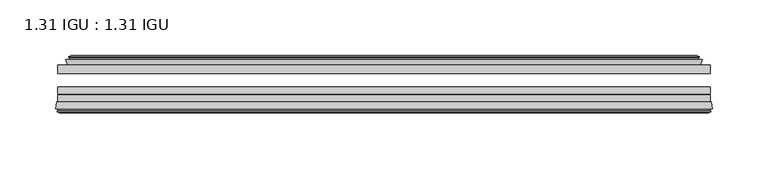
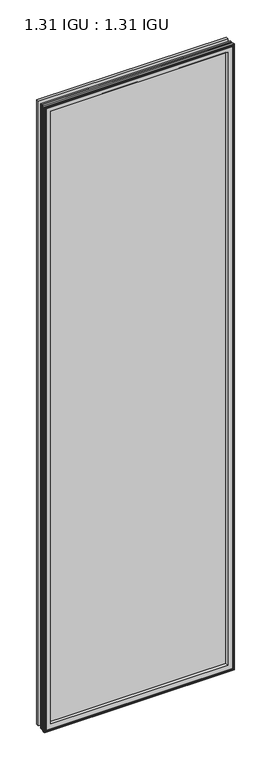
"""IFC4 building model written with IfcOpenShell, lengths in millimetres: plate geometry, 1.31 IGU : 1.31 IGU."""

from ifc_helpers import new_model, si_unit, frame, origin, place, context, project, spatial, polyline, ellipse_curve, outline, extrude, faceted_brep, source, transform, mapped, element, save
from ifc_brep_helpers import plane_surface, revolved_surface, advanced_brep


def plate_1_31_igu_1_31_igu_a0fc79a2(model_context):
    return source(origin(), model_context, "Body", "SolidModel", [
        extrude(outline(polyline([(292.1, -17.9712937), (292.1, -25.8960937), (-292.1, -25.8960937), (-292.1, -17.9712937), (292.1, -17.9712937)])), frame((0.0, 0.0, -19.05), z_axis=(0.0, 0.0, 1.0), x_axis=(1.0, 0.0, 0.0)), (0.0, 0.0, 1.0), 2032.0),
        extrude(outline(polyline([(-292.1, -51.2960937), (-292.1, -44.9460937), (292.1, -44.9460937), (292.1, -51.2960937), (-292.1, -51.2960937)])), frame((0.0, 0.0, -19.05), z_axis=(0.0, 0.0, 1.0), x_axis=(1.0, 0.0, 0.0)), (0.0, 0.0, 1.0), 2032.0),
        extrude(outline(polyline([(-292.1, -44.1586938), (-292.1, -37.8086938), (292.1, -37.8086938), (292.1, -44.1586938), (-292.1, -44.1586938)])), frame((0.0, 0.0, -19.05), z_axis=(0.0, 0.0, 1.0), x_axis=(1.0, 0.0, 0.0)), (0.0, 0.0, 1.0), 2032.0),
        faceted_brep([(-283.1814005, -17.9712937, 2004.0314005), (-284.8256337, -13.1960937, 2005.6756337), (-284.8256337, -13.1960937, -11.7756337), (-283.1814005, -17.9712937, -10.1314005), (-273.5707, -13.1960937, 1994.4207), (-272.4012695, -17.9712937, 1993.2512695), (-272.4012695, -17.9712937, 0.6487305), (-273.5707, -13.1960937, -0.5207), (-279.1354203, -10.902778, 1999.9854203), (-278.5209281, -13.1960937, 1999.3709281), (-278.5209281, -13.1960937, -5.4709281), (-279.1354203, -10.902778, -6.0854203), (-277.7431709, -11.27583, 1998.5931709), (-277.7431709, -11.27583, -4.6931709), (-277.5118537, -10.4125422, 1998.3618537), (-277.5118537, -10.4125422, -4.4618537), (-279.9207, -9.7670937, 2000.7707), (-279.9207, -9.7670937, -6.8707), (-282.3295463, -10.4125422, 2003.1795463), (-282.3295463, -10.4125422, -9.2795463), (-282.0982291, -11.27583, 2002.9482291), (-282.0982291, -11.27583, -9.0482291), (-280.7114014, -10.9042307, 2001.5614014), (-280.7114014, -10.9042307, -7.6614014), (-281.4560729, -13.1960937, 2002.3060729), (-281.4560729, -13.1960937, -8.4060729), (284.8256337, -13.1960937, -11.7756337), (283.1814005, -17.9712937, -10.1314005), (272.4012695, -17.9712937, 0.6487305), (273.5707, -13.1960937, -0.5207), (278.5209281, -13.1960937, -5.4709281), (279.1354203, -10.902778, -6.0854203), (277.7431709, -11.27583, -4.6931709), (277.5118537, -10.4125422, -4.4618537), (279.9207, -9.7670937, -6.8707), (282.3295463, -10.4125422, -9.2795463), (282.0982291, -11.27583, -9.0482291), (280.7114014, -10.9042307, -7.6614014), (281.4560729, -13.1960937, -8.4060729), (284.8256337, -13.1960937, 2005.6756337), (283.1814005, -17.9712937, 2004.0314005), (272.4012695, -17.9712937, 1993.2512695), (273.5707, -13.1960937, 1994.4207), (278.5209281, -13.1960937, 1999.3709281), (279.1354203, -10.902778, 1999.9854203), (277.7431709, -11.27583, 1998.5931709), (277.5118537, -10.4125422, 1998.3618537), (279.9207, -9.7670937, 2000.7707), (282.3295463, -10.4125422, 2003.1795463), (282.0982291, -11.27583, 2002.9482291), (280.7114014, -10.9042307, 2001.5614014), (281.4560729, -13.1960937, 2002.3060729)], [[[0, 1, 2, 3]], [[4, 5, 6, 7]], [[8, 9, 10, 11]], [[12, 8, 11, 13]], [[14, 12, 13, 15]], [[16, 14, 15, 17]], [[18, 16, 17, 19]], [[20, 18, 19, 21]], [[22, 20, 21, 23]], [[24, 22, 23, 25]], [[3, 2, 26, 27]], [[7, 6, 28, 29]], [[11, 10, 30, 31]], [[13, 11, 31, 32]], [[15, 13, 32, 33]], [[17, 15, 33, 34]], [[19, 17, 34, 35]], [[21, 19, 35, 36]], [[23, 21, 36, 37]], [[25, 23, 37, 38]], [[27, 26, 39, 40]], [[29, 28, 41, 42]], [[31, 30, 43, 44]], [[32, 31, 44, 45]], [[33, 32, 45, 46]], [[34, 33, 46, 47]], [[35, 34, 47, 48]], [[36, 35, 48, 49]], [[37, 36, 49, 50]], [[38, 37, 50, 51]], [[40, 39, 1, 0]], [[3, 27, 40, 0], [5, 41, 28, 6]], [[42, 41, 5, 4]], [[9, 43, 30, 10], [7, 29, 42, 4]], [[44, 43, 9, 8]], [[45, 44, 8, 12]], [[46, 45, 12, 14]], [[47, 46, 14, 16]], [[48, 47, 16, 18]], [[49, 48, 18, 20]], [[50, 49, 20, 22]], [[51, 50, 22, 24]], [[1, 39, 26, 2], [25, 38, 51, 24]]]),
        advanced_brep(
        [(-269.4126851, -51.2960937, 1990.2626851), (-273.05, -57.6460937, 1993.9), (-273.05, -57.6460937, 0.0), (-269.4126851, -51.2960937, 3.6373149), (-293.6957783, -57.6460937, 2014.5457783), (-292.9160964, -51.2960937, 2013.7660964), (-292.9160964, -51.2960937, -19.8660964), (-293.6957783, -57.6460937, -20.6457783), (-291.2957744, -59.6558685, 2012.1457744), (-291.7548013, -57.6460937, 2012.6048013), (-291.7548013, -57.6460937, -18.7048013), (-291.2957744, -59.6558685, -18.2457744), (-292.2794588, -59.3738016, 2013.1294588), (-292.2794588, -59.3738016, -19.2294588), (-292.5329433, -60.2578071, 2013.3829433), (-292.5329433, -60.2578071, -19.4829433), (-290.5099998, -60.8378768, 2011.3599998), (-290.5099998, -60.8378768, -17.4599998), (-288.4663389, -60.2902795, 2009.3163389), (-288.4663389, -60.2902795, -15.4163389), (-288.7112083, -59.3764147, 2009.5612083), (-288.7112083, -59.3764147, -15.6612083), (-289.7338421, -59.6504286, 2010.5838421), (-289.7338421, -59.6504286, -16.6838421), (-289.2711049, -57.6460937, 2010.1211049), (-289.2711049, -57.6460937, -16.2211049), (273.05, -57.6460938, 0.0), (269.4126851, -51.2960937, 3.6373149), (292.9160964, -51.2960937, -19.8660964), (293.6957783, -57.6460938, -20.6457783), (291.7548013, -57.6460938, -18.7048013), (291.2957744, -59.6558685, -18.2457744), (292.2794588, -59.3738016, -19.2294588), (292.5329433, -60.2578071, -19.4829433), (290.5099998, -60.8378768, -17.4599998), (288.4663389, -60.2902795, -15.4163389), (288.7112083, -59.3764147, -15.6612083), (289.7338421, -59.6504286, -16.6838421), (289.2711049, -57.6460938, -16.2211049), (273.05, -57.6460938, 1993.9), (269.4126851, -51.2960937, 1990.2626851), (292.9160964, -51.2960937, 2013.7660964), (293.6957783, -57.6460938, 2014.5457783), (291.7548013, -57.6460938, 2012.6048013), (291.2957744, -59.6558685, 2012.1457744), (292.2794588, -59.3738016, 2013.1294588), (292.5329433, -60.2578071, 2013.3829433), (290.5099998, -60.8378768, 2011.3599998), (288.4663389, -60.2902795, 2009.3163389), (288.7112083, -59.3764147, 2009.5612083), (289.7338421, -59.6504286, 2010.5838421), (289.2711049, -57.6460938, 2010.1211049)],
        [
            (0, 1, ellipse_curve(frame((-264.619055, -58.2586484, 1985.469055), z_axis=(0.7071067811865475, 0.0, 0.7071067811865475), x_axis=(0.7071067811865474, 0.0, -0.7071067811865476)), 11.9545855, 8.4531685)),
            (1, 2),
            (2, 3, ellipse_curve(frame((-264.619055, -58.2586484, 8.430945), z_axis=(0.7071067811865475, 0.0, -0.7071067811865475), x_axis=(-0.7071067811865474, 0.0, -0.7071067811865476)), 11.9545855, 8.4531685)),
            (3, 0),
            (4, 5),
            (5, 6),
            (6, 7),
            (7, 4),
            (8, 9),
            (9, 10),
            (10, 11),
            (11, 8),
            (12, 8),
            (11, 13),
            (13, 12),
            (14, 12),
            (13, 15),
            (15, 14),
            (16, 14),
            (15, 17),
            (17, 16),
            (18, 16),
            (17, 19),
            (19, 18),
            (20, 18),
            (19, 21),
            (21, 20),
            (22, 20),
            (21, 23),
            (23, 22),
            (24, 22),
            (23, 25),
            (25, 24),
            (2, 26),
            (26, 27, ellipse_curve(frame((264.619055, -58.2586484, 8.430945), z_axis=(0.7071067811865475, 0.0, 0.7071067811865475), x_axis=(0.7071067811865476, 0.0, -0.7071067811865474)), 11.9545855, 8.4531685)),
            (27, 3),
            (6, 28),
            (28, 29),
            (29, 7),
            (10, 30),
            (30, 31),
            (31, 11),
            (31, 32),
            (32, 13),
            (32, 33),
            (33, 15),
            (33, 34),
            (34, 17),
            (34, 35),
            (35, 19),
            (35, 36),
            (36, 21),
            (36, 37),
            (37, 23),
            (37, 38),
            (38, 25),
            (26, 39),
            (39, 40, ellipse_curve(frame((264.619055, -58.2586484, 1985.469055), z_axis=(-0.7071067811865475, 0.0, 0.7071067811865475), x_axis=(0.7071067811865474, 0.0, 0.7071067811865476)), 11.9545855, 8.4531685)),
            (40, 27),
            (28, 41),
            (41, 42),
            (42, 29),
            (30, 43),
            (43, 44),
            (44, 31),
            (44, 45),
            (45, 32),
            (45, 46),
            (46, 33),
            (46, 47),
            (47, 34),
            (47, 48),
            (48, 35),
            (48, 49),
            (49, 36),
            (49, 50),
            (50, 37),
            (50, 51),
            (51, 38),
            (51, 24),
            (1, 39),
            (0, 40),
            (5, 41),
            (4, 42),
            (9, 43),
            (8, 44),
            (12, 45),
            (14, 46),
            (16, 47),
            (18, 48),
            (20, 49),
            (22, 50),
        ],
        [
            revolved_surface(polyline([(-273.0722235, -58.2586484, -0.02222347332440222), (-273.0722235, -58.2586484, 1993.9222234733245)]), (-264.619055, -58.2586484, 2025.65), (0.0, 0.0, -1.0)),
            plane_surface(frame((-292.9160964, -51.2960937, 2013.7660964), z_axis=(-0.9925461516413234, 0.12186934340513635, 0.0), x_axis=(0.0, 0.0, -1.0))),
            plane_surface(frame((-291.7548013, -57.6460937, 2012.6048013), z_axis=(-0.9748953990049444, -0.22266333555165796, 0.0), x_axis=(0.0, 0.0, -1.0))),
            plane_surface(frame((-291.2957744, -59.6558685, 2012.1457744), z_axis=(0.27563735581726606, 0.9612616959382424, 0.0), x_axis=(0.0, 0.0, -1.0))),
            plane_surface(frame((-292.2794588, -59.3738016, 2013.1294588), z_axis=(-0.9612616959382463, 0.2756373558172523, 0.0), x_axis=(0.0, 0.0, -1.0))),
            plane_surface(frame((-292.5329433, -60.2578071, 2013.3829433), z_axis=(-0.2756373558170135, -0.9612616959383148, 0.0), x_axis=(0.0, 0.0, -1.0))),
            plane_surface(frame((-290.5099998, -60.8378768, 2011.3599998), z_axis=(0.25881904510226056, -0.965925826289138, 0.0), x_axis=(0.0, 0.0, -1.0))),
            plane_surface(frame((-288.4663389, -60.2902795, 2009.3163389), z_axis=(0.9659258262891444, 0.25881904510223736, 0.0), x_axis=(0.0, 0.0, -1.0))),
            plane_surface(frame((-288.7112083, -59.3764147, 2009.5612083), z_axis=(-0.2588190451025015, 0.9659258262890735, 0.0), x_axis=(0.0, 0.0, -1.0))),
            plane_surface(frame((-289.7338421, -59.6504286, 2010.5838421), z_axis=(0.9743700647852117, -0.22495105434396692, 0.0), x_axis=(0.0, 0.0, -1.0))),
            revolved_surface(polyline([(273.0722234733244, -58.2586484, -0.02222350000000084), (-273.07222347332436, -58.2586484, -0.02222350000000084)]), (-304.8, -58.2586484, 8.430945), (1.0, 0.0, 0.0)),
            plane_surface(frame((-292.9160964, -51.2960937, -19.8660964), z_axis=(0.0, 0.12186934340513315, -0.9925461516413239), x_axis=(1.0, 0.0, 0.0))),
            plane_surface(frame((-291.7548013, -57.6460937, -18.7048013), z_axis=(0.0, -0.2226633355516611, -0.9748953990049437), x_axis=(1.0, 0.0, 0.0))),
            plane_surface(frame((-291.2957744, -59.6558685, -18.2457744), z_axis=(0.0, 0.9612616959382433, 0.27563735581726295), x_axis=(1.0, 0.0, 0.0))),
            plane_surface(frame((-292.2794588, -59.3738016, -19.2294588), z_axis=(0.0, 0.2756373558172492, -0.9612616959382472), x_axis=(1.0, 0.0, 0.0))),
            plane_surface(frame((-292.5329433, -60.2578071, -19.4829433), z_axis=(0.0, -0.9612616959383157, -0.2756373558170104), x_axis=(1.0, 0.0, 0.0))),
            plane_surface(frame((-290.5099998, -60.8378768, -17.4599998), z_axis=(0.0, -0.9659258262891373, 0.2588190451022637), x_axis=(1.0, 0.0, 0.0))),
            plane_surface(frame((-288.4663389, -60.2902795, -15.4163389), z_axis=(0.0, 0.25881904510224046, 0.9659258262891435), x_axis=(1.0, 0.0, 0.0))),
            plane_surface(frame((-288.7112083, -59.3764147, -15.6612083), z_axis=(0.0, 0.9659258262890726, -0.2588190451025046), x_axis=(1.0, 0.0, 0.0))),
            plane_surface(frame((-289.7338421, -59.6504286, -16.6838421), z_axis=(0.0, -0.22495105434396379, 0.9743700647852125), x_axis=(1.0, 0.0, 0.0))),
            revolved_surface(polyline([(273.0722235, -58.2586484, 1993.9222234733245), (273.0722235, -58.2586484, -0.022223473324370246)]), (264.619055, -58.2586484, -31.75), (0.0, 0.0, 1.0)),
            plane_surface(frame((292.9160964, -51.2960937, -19.8660964), z_axis=(0.9925461516413243, 0.12186934340512996, 0.0), x_axis=(0.0, 0.0, 1.0))),
            plane_surface(frame((291.7548013, -57.6460938, -18.7048013), z_axis=(0.974895399004943, -0.22266333555166423, 0.0), x_axis=(0.0, 0.0, 1.0))),
            plane_surface(frame((291.2957744, -59.6558685, -18.2457744), z_axis=(-0.27563735581725984, 0.9612616959382442, 0.0), x_axis=(0.0, 0.0, 1.0))),
            plane_surface(frame((292.2794588, -59.3738016, -19.2294588), z_axis=(0.9612616959382481, 0.2756373558172461, 0.0), x_axis=(0.0, 0.0, 1.0))),
            plane_surface(frame((292.5329433, -60.2578071, -19.4829433), z_axis=(0.27563735581700727, -0.9612616959383166, 0.0), x_axis=(0.0, 0.0, 1.0))),
            plane_surface(frame((290.5099998, -60.8378768, -17.4599998), z_axis=(-0.25881904510226683, -0.9659258262891364, 0.0), x_axis=(0.0, 0.0, 1.0))),
            plane_surface(frame((288.4663389, -60.2902795, -15.4163389), z_axis=(-0.9659258262891426, 0.2588190451022436, 0.0), x_axis=(0.0, 0.0, 1.0))),
            plane_surface(frame((288.7112083, -59.3764147, -15.6612083), z_axis=(0.2588190451025077, 0.9659258262890718, 0.0), x_axis=(0.0, 0.0, 1.0))),
            plane_surface(frame((289.7338421, -59.6504286, -16.6838421), z_axis=(-0.9743700647852133, -0.22495105434396065, 0.0), x_axis=(0.0, 0.0, 1.0))),
            plane_surface(frame((289.2711049, -57.6460938, 2010.1211049), z_axis=(0.0, -1.0, 0.0), x_axis=(-1.0, 0.0, 0.0))),
            revolved_surface(polyline([(-273.0722234733244, -58.2586484, 1993.9222235), (273.07222347332436, -58.2586484, 1993.9222235)]), (304.8, -58.2586484, 1985.469055), (-1.0, 0.0, 0.0)),
            plane_surface(frame((269.4126851, -51.2960937, 1990.2626851), z_axis=(0.0, 1.0, 0.0), x_axis=(-1.0, 0.0, 0.0))),
            plane_surface(frame((292.9160964, -51.2960937, 2013.7660964), z_axis=(0.0, 0.12186934340513315, 0.9925461516413239), x_axis=(-1.0, 0.0, 0.0))),
            plane_surface(frame((293.6957783, -57.6460938, 2014.5457783), z_axis=(0.0, -1.0, 0.0), x_axis=(-1.0, 0.0, 0.0))),
            plane_surface(frame((291.7548013, -57.6460938, 2012.6048013), z_axis=(0.0, -0.2226633355516611, 0.9748953990049437), x_axis=(-1.0, 0.0, 0.0))),
            plane_surface(frame((291.2957744, -59.6558685, 2012.1457744), z_axis=(0.0, 0.9612616959382433, -0.27563735581726295), x_axis=(-1.0, 0.0, 0.0))),
            plane_surface(frame((292.2794588, -59.3738016, 2013.1294588), z_axis=(0.0, 0.2756373558172492, 0.9612616959382472), x_axis=(-1.0, 0.0, 0.0))),
            plane_surface(frame((292.5329433, -60.2578071, 2013.3829433), z_axis=(0.0, -0.9612616959383157, 0.2756373558170104), x_axis=(-1.0, 0.0, 0.0))),
            plane_surface(frame((290.5099998, -60.8378768, 2011.3599998), z_axis=(0.0, -0.9659258262891373, -0.2588190451022637), x_axis=(-1.0, 0.0, 0.0))),
            plane_surface(frame((288.4663389, -60.2902795, 2009.3163389), z_axis=(0.0, 0.25881904510224046, -0.9659258262891435), x_axis=(-1.0, 0.0, 0.0))),
            plane_surface(frame((288.7112083, -59.3764147, 2009.5612083), z_axis=(0.0, 0.9659258262890726, 0.2588190451025046), x_axis=(-1.0, 0.0, 0.0))),
            plane_surface(frame((289.7338421, -59.6504286, 2010.5838421), z_axis=(0.0, -0.22495105434396379, -0.9743700647852125), x_axis=(-1.0, 0.0, 0.0))),
        ],
        [
            (0, [[1, 2, 3, 4]]),
            (1, [[5, 6, 7, 8]]),
            (2, [[9, 10, 11, 12]]),
            (3, [[13, -12, 14, 15]]),
            (4, [[16, -15, 17, 18]]),
            (5, [[19, -18, 20, 21]]),
            (6, [[22, -21, 23, 24]]),
            (7, [[25, -24, 26, 27]]),
            (8, [[28, -27, 29, 30]]),
            (9, [[31, -30, 32, 33]]),
            (10, [[-3, 34, 35, 36]]),
            (11, [[-7, 37, 38, 39]]),
            (12, [[-11, 40, 41, 42]]),
            (13, [[-14, -42, 43, 44]]),
            (14, [[-17, -44, 45, 46]]),
            (15, [[-20, -46, 47, 48]]),
            (16, [[-23, -48, 49, 50]]),
            (17, [[-26, -50, 51, 52]]),
            (18, [[-29, -52, 53, 54]]),
            (19, [[-32, -54, 55, 56]]),
            (20, [[-35, 57, 58, 59]]),
            (21, [[-38, 60, 61, 62]]),
            (22, [[-41, 63, 64, 65]]),
            (23, [[-43, -65, 66, 67]]),
            (24, [[-45, -67, 68, 69]]),
            (25, [[-47, -69, 70, 71]]),
            (26, [[-49, -71, 72, 73]]),
            (27, [[-51, -73, 74, 75]]),
            (28, [[-53, -75, 76, 77]]),
            (29, [[-55, -77, 78, 79]]),
            (30, [[-56, -79, 80, -33], [81, -57, -34, -2]]),
            (31, [[-58, -81, -1, 82]]),
            (32, [[83, -60, -37, -6], [-36, -59, -82, -4]]),
            (33, [[-61, -83, -5, 84]]),
            (34, [[-39, -62, -84, -8], [85, -63, -40, -10]]),
            (35, [[-64, -85, -9, 86]]),
            (36, [[-66, -86, -13, 87]]),
            (37, [[-68, -87, -16, 88]]),
            (38, [[-70, -88, -19, 89]]),
            (39, [[-72, -89, -22, 90]]),
            (40, [[-74, -90, -25, 91]]),
            (41, [[-76, -91, -28, 92]]),
            (42, [[-78, -92, -31, -80]]),
        ],
    ),
    ])


if __name__ == "__main__":
    model = new_model("IFC4")
    model_context = context("Model", 3, world=origin())
    ifc_project = project(units=[si_unit("LENGTHUNIT", "METRE", prefix="MILLI")], contexts=[model_context])
    site = spatial("IfcSite", under=ifc_project)
    building = spatial("IfcBuilding", under=site)
    placement = place(None, origin())
    plate_1_31_igu_1_31_igu_shape = plate_1_31_igu_1_31_igu_a0fc79a2(model_context)
    element("IfcPlate", 1, ObjectType="1.31 IGU : 1.31 IGU", at=placement, inside=building, context=model_context, shape_type="MappedRepresentation", body=[
        mapped(plate_1_31_igu_1_31_igu_shape, transform((0.0, 0.0, 0.0), x_axis=(1.0, 0.0, 0.0), y_axis=(0.0, 1.0, 0.0), z_axis=(0.0, 0.0, 1.0))),
    ])
    save(model, "model.ifc")
